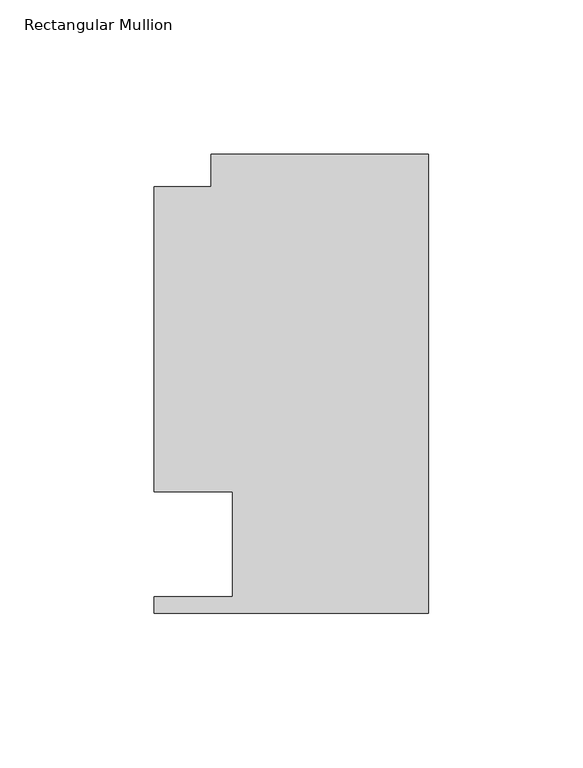
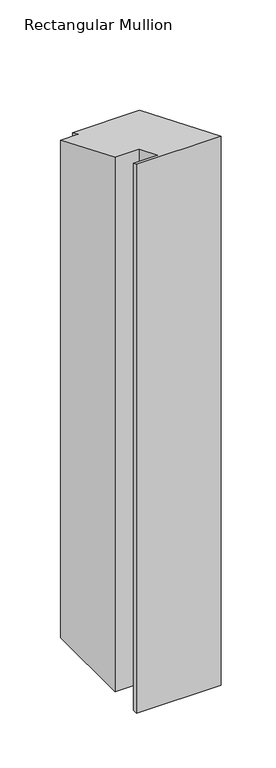
"""IFC4 building model written with IfcOpenShell, lengths in millimetres: member geometry, Rectangular Mullion."""

from ifc_helpers import new_model, si_unit, origin, place, context, project, spatial, faceted_brep, source, transform, mapped, element, save


def rectangular_mullion_1af5fbee(model_context):
    return source(origin(), model_context, "Body", "Brep", [
        faceted_brep([(0.0, 148.737016, -609.587333), (0.0, 0.0198437, -609.587333), (-88.9090899, 0.0198437, -609.587333), (-88.9090899, 5.3538437, -609.587333), (-63.5090899, 5.3538437, -609.587333), (-63.5090899, 39.3898438, -609.587333), (-88.9090899, 39.3898438, -609.587333), (-88.9090899, 138.3230199, -609.587333), (-70.3924898, 138.3230199, -609.587333), (-70.3924898, 148.737016, -609.587333), (-70.3924898, 148.737016, -61.6088893), (0.0, 148.737016, -61.6088893), (-70.3924898, 138.3230199, -57.2952708), (-88.9090899, 138.3230199, -57.2952708), (-88.9090899, 39.3898438, -16.3158075), (-63.5090899, 39.3898438, -16.3158075), (-63.5090899, 5.3538437, -2.2176347), (-88.9090899, 5.3538437, -2.2176347), (-88.9090899, 0.0198437, -0.0082196), (0.0, 0.0198437, -0.0082196)], [[[0, 1, 2, 3, 4, 5, 6, 7, 8, 9]], [[10, 11, 0, 9]], [[12, 10, 9, 8]], [[13, 12, 8, 7]], [[14, 13, 7, 6]], [[15, 14, 6, 5]], [[16, 15, 5, 4]], [[17, 16, 4, 3]], [[18, 17, 3, 2]], [[19, 18, 2, 1]], [[11, 19, 1, 0]], [[11, 10, 12, 13, 14, 15, 16, 17, 18, 19]]]),
    ])


if __name__ == "__main__":
    model = new_model("IFC4")
    model_context = context("Model", 3, world=origin())
    ifc_project = project(units=[si_unit("LENGTHUNIT", "METRE", prefix="MILLI")], contexts=[model_context])
    site = spatial("IfcSite", under=ifc_project)
    building = spatial("IfcBuilding", under=site)
    placement = place(None, origin())
    rectangular_mullion_shape = rectangular_mullion_1af5fbee(model_context)
    element("IfcMember", 1, ObjectType="Rectangular Mullion", at=placement, inside=building, context=model_context, shape_type="MappedRepresentation", body=[
        mapped(rectangular_mullion_shape, transform((0.0, 0.0, 0.0), x_axis=(1.0, 0.0, 0.0), y_axis=(0.0, 1.0, 0.0), z_axis=(0.0, 0.0, 1.0))),
    ])
    save(model, "model.ifc")
